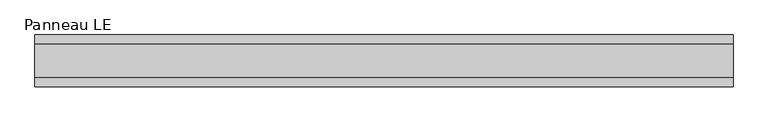
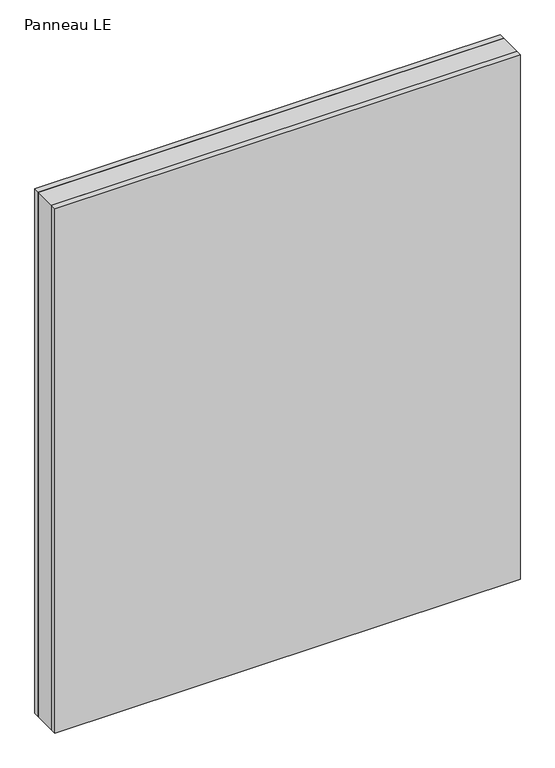
"""IFC4 building model written with IfcOpenShell, lengths in millimetres: plate geometry, Panneau LE."""

from ifc_helpers import new_model, si_unit, origin, origin_with_axes, place, context, project, spatial, polyline, outline, extrude, source, transform, mapped, element, save


def panneau_le_21b25e2c(model_context):
    return source(origin(), model_context, "Body", "SweptSolid", [
        extrude(outline(polyline([(607.0000001, 29.0), (607.0000001, -29.0), (-607.0000001, -29.0), (-607.0000001, 29.0), (607.0000001, 29.0)])), origin_with_axes(), (0.0, 0.0, 1.0), 1446.5),
        extrude(outline(polyline([(607.0000001, 45.0), (607.0000001, 29.0), (-607.0000001, 29.0), (-607.0000001, 45.0), (607.0000001, 45.0)])), origin_with_axes(), (0.0, 0.0, 1.0), 1446.5),
        extrude(outline(polyline([(-607.0000001, -45.0), (-607.0000001, -29.0), (607.0000001, -29.0), (607.0000001, -45.0), (-607.0000001, -45.0)])), origin_with_axes(), (0.0, 0.0, 1.0), 1446.5),
    ])


if __name__ == "__main__":
    model = new_model("IFC4")
    model_context = context("Model", 3, world=origin())
    ifc_project = project(units=[si_unit("LENGTHUNIT", "METRE", prefix="MILLI")], contexts=[model_context])
    site = spatial("IfcSite", under=ifc_project)
    building = spatial("IfcBuilding", under=site)
    placement = place(None, origin())
    panneau_le_shape = panneau_le_21b25e2c(model_context)
    element("IfcPlate", 1, ObjectType="Panneau LE", at=placement, inside=building, context=model_context, shape_type="MappedRepresentation", body=[
        mapped(panneau_le_shape, transform((0.0, 0.0, 0.0), x_axis=(1.0, 0.0, 0.0), y_axis=(0.0, 1.0, 0.0), z_axis=(0.0, 0.0, 1.0))),
    ])
    save(model, "model.ifc")
